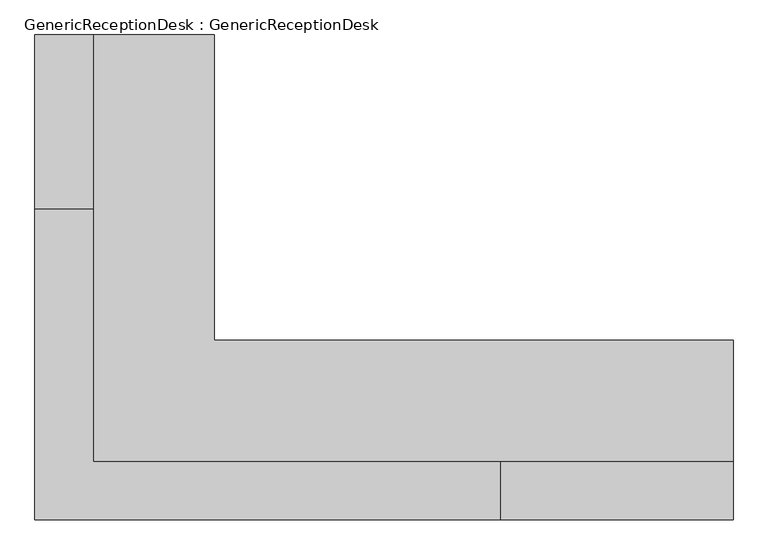
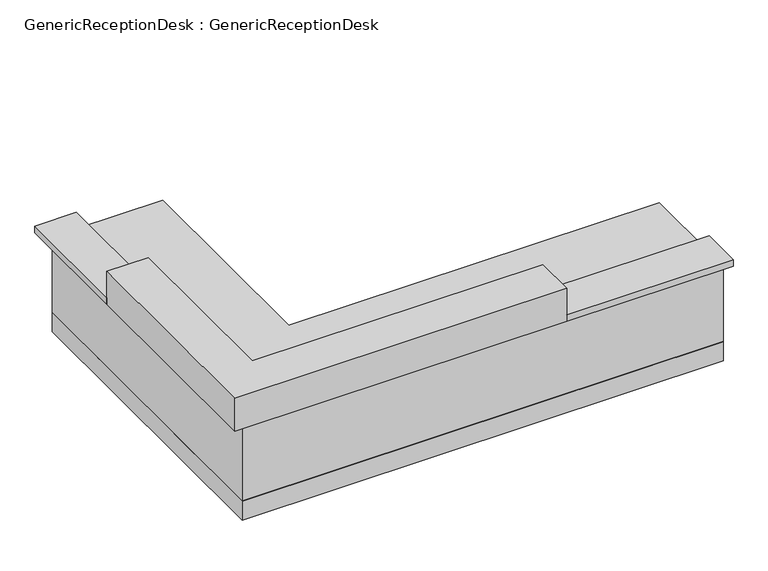
"""IFC4 building model written with IfcOpenShell, lengths in millimetres: furniture geometry, GenericReceptionDesk : GenericReceptionDesk."""

import ifcopenshell
import ifcopenshell.guid

model = None  # the IFC model being written
_history = None  # IfcOwnerHistory: only IFC2X3 demands one
_inside = {}  # id of a spatial element -> (the spatial element, [elements in it])
_under = {}  # id of a project, library or spatial element -> (it, [spatial elements below it])
_declared = {}  # id of a project -> (the project, [libraries it declares])
_typed = {}  # id of a type object -> (the type object, [elements of that type])
_made_of = {}  # id of a material, layer set ... -> (it, [elements and type objects made of it])


def new_model(schema):
    """Start an empty IFC model of exactly this schema.

    Asked for "IFC4X3", IfcOpenShell would pick the latest addendum, in which some entities
    have other attributes; the version numbers below select the first issue.
    IFC2X3 requires an IfcOwnerHistory on every rooted entity: one is made here for all.
    """
    global model, _history
    if schema == "IFC4X3":
        model = ifcopenshell.file(schema_version=(4, 3, 0, 0))
    else:
        model = ifcopenshell.file(schema=schema)
    _inside.clear()
    _under.clear()
    _declared.clear()
    _typed.clear()
    _made_of.clear()
    _history = None
    if model.schema == "IFC2X3":
        org = make("IfcOrganization", Name="unknown")
        user = make(
            "IfcPersonAndOrganization",
            ThePerson=make("IfcPerson", FamilyName="unknown"),
            TheOrganization=org,
        )
        app = make(
            "IfcApplication",
            ApplicationDeveloper=org,
            Version="unknown",
            ApplicationFullName="unknown",
            ApplicationIdentifier="unknown",
        )
        _history = make(
            "IfcOwnerHistory",
            OwningUser=user,
            OwningApplication=app,
            ChangeAction="ADDED",
            CreationDate=0,
        )
    return model


def make(cls, **values):
    """One entity of the class cls with the attributes given. An attribute that is None is left unset."""
    return model.create_entity(
        cls, **{name: value for name, value in values.items() if value is not None}
    )


def rooted(cls, **values):
    """An entity with a GlobalId (a new one), such as an element, a storey or a relation."""
    return make(cls, GlobalId=ifcopenshell.guid.new(), OwnerHistory=_history, **values)


def si_unit(unit_type, name, prefix=None):
    """IfcSIUnit, for example si_unit("LENGTHUNIT", "METRE", prefix="MILLI")."""
    return make("IfcSIUnit", UnitType=unit_type, Prefix=prefix, Name=name)


def assignment(units):
    """IfcUnitAssignment: the units of a project."""
    return None if units is None else make("IfcUnitAssignment", Units=units)


def point(xyz):
    """IfcCartesianPoint."""
    return None if xyz is None else make("IfcCartesianPoint", Coordinates=xyz)


def direction(xyz):
    """IfcDirection."""
    return None if xyz is None else make("IfcDirection", DirectionRatios=xyz)


def frame(location, z_axis=None, x_axis=None):
    """IfcAxis2Placement3D, a coordinate frame: its origin and axes. An axis left out is left unset."""
    return make(
        "IfcAxis2Placement3D",
        Location=point(location),
        Axis=direction(z_axis),
        RefDirection=direction(x_axis),
    )


def origin():
    """The frame at (0, 0, 0) with its axes left unset."""
    return frame((0.0, 0.0, 0.0))


def origin_with_axes():
    """The frame at (0, 0, 0) with the z axis (0, 0, 1) and the x axis (1, 0, 0) written out."""
    return frame((0.0, 0.0, 0.0), z_axis=(0.0, 0.0, 1.0), x_axis=(1.0, 0.0, 0.0))


def place(relative_to, where):
    """IfcLocalPlacement: puts the frame where relative to a parent placement (None: the world)."""
    return make(
        "IfcLocalPlacement", PlacementRelTo=relative_to, RelativePlacement=where
    )


def context(
    kind, dimensions, precision=None, world=None, true_north=None, identifier=None
):
    """IfcGeometricRepresentationContext, for example the 3D "Model" context."""
    return make(
        "IfcGeometricRepresentationContext",
        ContextIdentifier=identifier,
        ContextType=kind,
        CoordinateSpaceDimension=dimensions,
        Precision=precision,
        WorldCoordinateSystem=world,
        TrueNorth=true_north,
    )


def project(units=None, contexts=None):
    """IfcProject with its units and contexts."""
    return rooted(
        "IfcProject",
        Name="project",
        RepresentationContexts=contexts,
        UnitsInContext=assignment(units),
    )


def spatial(cls, under=None, at=None, **own):
    """A site, building, storey or space (cls), placed at a placement, below another one or the project."""
    s = rooted(cls, ObjectPlacement=at, **own)
    if under is not None:
        _under.setdefault(under.id(), (under, []))[1].append(s)
    return s


def polyline(points):
    """IfcPolyline through the points."""
    return make("IfcPolyline", Points=[point(p) for p in points])


def outline(outer, holes=None, kind="AREA"):
    """IfcArbitraryClosedProfileDef: a profile drawn as a closed curve; with holes, ...WithVoids."""
    if holes is None:
        return make("IfcArbitraryClosedProfileDef", ProfileType=kind, OuterCurve=outer)
    return make(
        "IfcArbitraryProfileDefWithVoids",
        ProfileType=kind,
        OuterCurve=outer,
        InnerCurves=holes,
    )


def extrude(swept, where, along, depth):
    """IfcExtrudedAreaSolid: the profile swept, set in the frame where, extruded along a direction by depth."""
    return make(
        "IfcExtrudedAreaSolid",
        SweptArea=swept,
        Position=where,
        ExtrudedDirection=direction(along),
        Depth=depth,
    )


def faces_of(points, faces, orient=None, outer=None):
    """IfcFace entities. A face is a list of loops; a loop is a list of indices into points, from 0.

    orient and outer hold one flag for each loop. By default every Orientation is true, the
    first loop of a face is its IfcFaceOuterBound and the others are IfcFaceBound.
    """
    made = []
    for i, loops in enumerate(faces):
        bounds = []
        for j, loop in enumerate(loops):
            is_outer = j == 0 if outer is None else outer[i][j]
            bounds.append(
                make(
                    "IfcFaceOuterBound" if is_outer else "IfcFaceBound",
                    Bound=make("IfcPolyLoop", Polygon=[points[k] for k in loop]),
                    Orientation=True if orient is None else orient[i][j],
                )
            )
        made.append(make("IfcFace", Bounds=bounds))
    return made


def faceted_brep(points, faces, orient=None, outer=None, voids=None):
    """IfcFacetedBrep: a solid bounded by flat faces; with voids (closed shells), ...WithVoids."""
    shared = [point(p) for p in points]
    hull = make("IfcClosedShell", CfsFaces=faces_of(shared, faces, orient, outer))
    if voids is None:
        return make("IfcFacetedBrep", Outer=hull)
    return make(
        "IfcFacetedBrepWithVoids",
        Outer=hull,
        Voids=[
            make(cls, CfsFaces=faces_of(shared, fs, o, b)) for cls, fs, o, b in voids
        ],
    )


def shape(context_of_items, identifier, shape_type, items):
    """IfcShapeRepresentation: the items that make up one representation, for example the "Body"."""
    return make(
        "IfcShapeRepresentation",
        ContextOfItems=context_of_items,
        RepresentationIdentifier=identifier,
        RepresentationType=shape_type,
        Items=items,
    )


def source(mapping_origin, context_of_items, identifier, shape_type, items):
    """IfcRepresentationMap: a shape defined once, which mapped items show again and again."""
    return make(
        "IfcRepresentationMap",
        MappingOrigin=mapping_origin,
        MappedRepresentation=shape(context_of_items, identifier, shape_type, items),
    )


def transform(
    local_origin,
    x_axis=None,
    y_axis=None,
    z_axis=None,
    scale=None,
    scale2=None,
    scale3=None,
    uniform=True,
):
    """IfcCartesianTransformationOperator3D, or its non-uniform kind. x_axis, y_axis, z_axis: its Axis1, 2, 3."""
    if uniform:
        return make(
            "IfcCartesianTransformationOperator3D",
            Axis1=direction(x_axis),
            Axis2=direction(y_axis),
            LocalOrigin=point(local_origin),
            Scale=scale,
            Axis3=direction(z_axis),
        )
    return make(
        "IfcCartesianTransformationOperator3DnonUniform",
        Axis1=direction(x_axis),
        Axis2=direction(y_axis),
        LocalOrigin=point(local_origin),
        Scale=scale,
        Axis3=direction(z_axis),
        Scale2=scale2,
        Scale3=scale3,
    )


def mapped(mapping_source, mapping_target):
    """IfcMappedItem: shows the shape of a source again, moved by a transform."""
    return make(
        "IfcMappedItem", MappingSource=mapping_source, MappingTarget=mapping_target
    )


def made_of(thing, what):
    """Note that an element or type object is made of a material, layer set ...; save() writes the relation."""
    if what is not None:
        _made_of.setdefault(what.id(), (what, []))[1].append(thing)
    return thing


def element(
    cls,
    number,
    at=None,
    inside=None,
    cuts=None,
    type_object=None,
    material=None,
    context=None,
    identifier="Body",
    shape_type=None,
    held_by="IfcProductDefinitionShape",
    body=None,
    shapes=None,
    **own,
):
    """One element of the class cls, such as IfcWall. Its Tag is "e" and its number.

    at: its placement. inside: the storey or other place that contains it. cuts: it is an
    opening in that element (IfcRelVoidsElement). A single representation is given by context,
    identifier, shape_type and body (its items); several are given by shapes. held_by: the class
    of the entity that holds the representations. save() writes the other relations.
    """
    e = rooted(cls, Tag="e%d" % number, ObjectPlacement=at, **own)
    if body is not None:
        shapes = [shape(context, identifier, shape_type, body)]
    if shapes is not None:
        e.Representation = make(held_by, Representations=shapes)
    if inside is not None:
        _inside.setdefault(inside.id(), (inside, []))[1].append(e)
    if cuts is not None:
        rooted(
            "IfcRelVoidsElement", RelatingBuildingElement=cuts, RelatedOpeningElement=e
        )
    if type_object is not None:
        _typed.setdefault(type_object.id(), (type_object, []))[1].append(e)
    return made_of(e, material)


def aggregate(whole, parts):
    """IfcRelAggregates: a whole, such as a stair, and the parts it consists of."""
    return rooted("IfcRelAggregates", RelatingObject=whole, RelatedObjects=parts)


def save(model, path):
    """Write the relations noted so far, then the file.

    IfcRelAggregates (storeys below a building ...), IfcRelContainedInSpatialStructure (elements
    in a storey), IfcRelDefinesByType, IfcRelAssociatesMaterial and IfcRelDeclares: one each for
    every whole, place, type object, material and project.
    """
    for whole, parts in _under.values():
        aggregate(whole, parts)
    for where, things in _inside.values():
        rooted(
            "IfcRelContainedInSpatialStructure",
            RelatedElements=things,
            RelatingStructure=where,
        )
    for kind, things in _typed.values():
        rooted("IfcRelDefinesByType", RelatedObjects=things, RelatingType=kind)
    for what, things in _made_of.values():
        rooted("IfcRelAssociatesMaterial", RelatedObjects=things, RelatingMaterial=what)
    for by, libraries in _declared.values():
        rooted("IfcRelDeclares", RelatingContext=by, RelatedDefinitions=libraries)
    model.write(path)


def genericreceptiondesk_genericreceptiondesk_99589e26(model_context):
    return source(origin(), model_context, "Body", "SolidModel", [
        extrude(outline(polyline([(-762.0, 684.2125), (-762.0, 230.1875), (-774.7, 230.1875), (-774.7, 684.2125), (-762.0, 684.2125)])), frame((0.0, 0.0, 76.2), z_axis=(0.0, 0.0, 1.0), x_axis=(1.0, 0.0, 0.0)), (0.0, 0.0, 1.0), 309.5625),
        extrude(outline(polyline([(-774.7, 241.3), (-1422.4, 241.3), (-1422.4, 673.1), (-774.7, 673.1), (-774.7, 241.3)])), frame((0.0, 0.0, 76.2), z_axis=(0.0, 0.0, 1.0), x_axis=(1.0, 0.0, 0.0)), (0.0, 0.0, 1.0), 12.7),
        faceted_brep([(-865.1875, 228.6, 0.0), (-1447.8, 228.6, 0.0), (-1447.8, 685.8, 0.0), (-865.1875, 685.8, 0.0), (-1428.75, 673.1, 0.0), (-1428.75, 241.3, 0.0), (-1422.4, 241.3, 0.0), (-1422.4, 673.1, 0.0), (-1384.3, 673.1, 0.0), (-1384.3, 241.3, 0.0), (-903.2875, 241.3, 0.0), (-903.2875, 673.1, 0.0), (-1428.75, 673.1, 127.0), (-1428.75, 241.3, 127.0), (-1447.8, 673.1, 127.0), (-1447.8, 241.3, 127.0), (-1447.8, 228.6, 698.5), (-1447.8, 685.8, 698.5), (-1447.8, 673.1, 596.9), (-1447.8, 241.3, 596.9), (-774.7, 228.6, 698.5), (-774.7, 685.8, 698.5), (-1428.75, 241.3, 698.5), (-1428.75, 673.1, 698.5), (-1422.4, 673.1, 698.5), (-1422.4, 241.3, 698.5), (-800.0679767, 673.1, 698.5), (-800.0679767, 241.3, 698.5), (-1346.2, 241.3, 698.5), (-1346.2, 673.1, 698.5), (-1428.75, 673.1, 596.9), (-1428.75, 241.3, 596.9), (-1346.2, 241.3, 679.45), (-1346.2, 673.1, 679.45), (-1422.4, 673.1, 679.45), (-1422.4, 241.3, 679.45), (-1384.3, 673.1, 76.2), (-1384.3, 241.3, 76.2), (-1422.4, 673.1, 76.2), (-1422.4, 241.3, 76.2), (-865.1875, 673.1, 76.2), (-865.1875, 241.3, 76.2), (-865.1875, 228.6, 76.2), (-865.1875, 685.8, 76.2), (-903.2875, 673.1, 76.2), (-903.2875, 241.3, 76.2), (-800.0679767, 673.1, 679.45), (-800.0679767, 241.3, 679.45), (-774.7, 673.1, 679.45), (-774.7, 241.3, 679.45), (-774.7, 673.1, 76.2), (-774.7, 685.8, 76.2), (-774.7, 228.6, 76.2), (-774.7, 241.3, 76.2)], [[[0, 1, 2, 3], [4, 5, 6, 7], [8, 9, 10, 11]], [[5, 4, 12, 13]], [[13, 12, 14, 15]], [[2, 1, 16, 17], [15, 14, 18, 19]], [[17, 16, 20, 21], [22, 23, 24, 25], [26, 27, 28, 29]], [[19, 18, 30, 31]], [[23, 22, 31, 30]], [[32, 33, 29, 28]], [[25, 24, 34, 35]], [[33, 32, 35, 34]], [[9, 8, 36, 37]], [[37, 36, 38, 39]], [[7, 6, 39, 38]], [[40, 41, 42, 0, 3, 43]], [[41, 40, 44, 45]], [[11, 10, 45, 44]], [[27, 26, 46, 47]], [[47, 46, 48, 49]], [[49, 48, 50, 51, 21, 20, 52, 53]], [[17, 21, 51, 43, 3, 2]], [[40, 50, 48, 46, 26, 29, 33, 34, 24, 23, 30, 18, 14, 12, 4, 7, 38, 36, 8, 11, 44]], [[43, 51, 50, 40]], [[16, 1, 0, 42, 52, 20]], [[53, 41, 45, 10, 9, 37, 39, 6, 5, 13, 15, 19, 31, 22, 25, 35, 32, 28, 27, 47, 49]], [[52, 42, 41, 53]]]),
        extrude(outline(polyline([(-762.0, 684.2125), (-762.0, 230.1875), (-774.7, 230.1875), (-774.7, 684.2125), (-762.0, 684.2125)])), frame((0.0, 0.0, 388.9375), z_axis=(0.0, 0.0, 1.0), x_axis=(1.0, 0.0, 0.0)), (0.0, 0.0, 1.0), 306.3875),
        extrude(outline(polyline([(-1422.4, 241.3), (-1428.75, 241.3), (-1428.75, 673.1), (-1422.4, 673.1), (-1422.4, 241.3)])), origin_with_axes(), (0.0, 0.0, 1.0), 698.5),
        extrude(outline(polyline([(-863.6, 228.6), (-865.1875, 228.6), (-865.1875, 685.8), (-863.6, 685.8), (-863.6, 228.6)])), origin_with_axes(), (0.0, 0.0, 1.0), 76.2),
        extrude(outline(polyline([(1195.3875, -889.0), (1928.8125, -889.0), (1928.8125, -901.7), (1195.3875, -901.7), (1195.3875, -889.0)])), frame((0.0, 0.0, 76.2), z_axis=(0.0, 0.0, 1.0), x_axis=(1.0, 0.0, 0.0)), (0.0, 0.0, 1.0), 309.5625),
        extrude(outline(polyline([(1917.7, -901.7), (1917.7, -1549.4), (1206.5, -1549.4), (1206.5, -901.7), (1917.7, -901.7)])), frame((0.0, 0.0, 76.2), z_axis=(0.0, 0.0, 1.0), x_axis=(1.0, 0.0, 0.0)), (0.0, 0.0, 1.0), 12.7),
        faceted_brep([(1930.4, -992.1875, 0.0), (1930.4, -1574.8, 0.0), (1193.8, -1574.8, 0.0), (1193.8, -992.1875, 0.0), (1206.5, -1555.75, 0.0), (1917.7, -1555.75, 0.0), (1917.7, -1549.4, 0.0), (1206.5, -1549.4, 0.0), (1206.5, -1511.3, 0.0), (1917.7, -1511.3, 0.0), (1917.7, -1030.2875, 0.0), (1206.5, -1030.2875, 0.0), (1206.5, -1555.75, 127.0), (1917.7, -1555.75, 127.0), (1206.5, -1574.8, 127.0), (1917.7, -1574.8, 127.0), (1930.4, -1574.8, 698.5), (1193.8, -1574.8, 698.5), (1206.5, -1574.8, 596.9), (1917.7, -1574.8, 596.9), (1930.4, -901.7, 698.5), (1193.8, -901.7, 698.5), (1917.7, -1555.75, 698.5), (1206.5, -1555.75, 698.5), (1206.5, -1549.4, 698.5), (1917.7, -1549.4, 698.5), (1206.5, -927.0679767, 698.5), (1917.7, -927.0679767, 698.5), (1917.7, -1473.2, 698.5), (1206.5, -1473.2, 698.5), (1206.5, -1555.75, 596.9), (1917.7, -1555.75, 596.9), (1917.7, -1473.2, 679.45), (1206.5, -1473.2, 679.45), (1206.5, -1549.4, 679.45), (1917.7, -1549.4, 679.45), (1206.5, -1511.3, 76.2), (1917.7, -1511.3, 76.2), (1206.5, -1549.4, 76.2), (1917.7, -1549.4, 76.2), (1206.5, -992.1875, 76.2), (1917.7, -992.1875, 76.2), (1930.4, -992.1875, 76.2), (1193.8, -992.1875, 76.2), (1206.5, -1030.2875, 76.2), (1917.7, -1030.2875, 76.2), (1206.5, -927.0679767, 679.45), (1917.7, -927.0679767, 679.45), (1206.5, -901.7, 679.45), (1917.7, -901.7, 679.45), (1206.5, -901.7, 76.2), (1193.8, -901.7, 76.2), (1930.4, -901.7, 76.2), (1917.7, -901.7, 76.2)], [[[0, 1, 2, 3], [4, 5, 6, 7], [8, 9, 10, 11]], [[5, 4, 12, 13]], [[13, 12, 14, 15]], [[2, 1, 16, 17], [15, 14, 18, 19]], [[17, 16, 20, 21], [22, 23, 24, 25], [26, 27, 28, 29]], [[19, 18, 30, 31]], [[23, 22, 31, 30]], [[32, 33, 29, 28]], [[25, 24, 34, 35]], [[33, 32, 35, 34]], [[9, 8, 36, 37]], [[37, 36, 38, 39]], [[7, 6, 39, 38]], [[40, 41, 42, 0, 3, 43]], [[41, 40, 44, 45]], [[11, 10, 45, 44]], [[27, 26, 46, 47]], [[47, 46, 48, 49]], [[49, 48, 50, 51, 21, 20, 52, 53]], [[17, 21, 51, 43, 3, 2]], [[40, 50, 48, 46, 26, 29, 33, 34, 24, 23, 30, 18, 14, 12, 4, 7, 38, 36, 8, 11, 44]], [[43, 51, 50, 40]], [[16, 1, 0, 42, 52, 20]], [[53, 41, 45, 10, 9, 37, 39, 6, 5, 13, 15, 19, 31, 22, 25, 35, 32, 28, 27, 47, 49]], [[52, 42, 41, 53]]]),
        extrude(outline(polyline([(1195.3875, -889.0), (1928.8125, -889.0), (1928.8125, -901.7), (1195.3875, -901.7), (1195.3875, -889.0)])), frame((0.0, 0.0, 388.9375), z_axis=(0.0, 0.0, 1.0), x_axis=(1.0, 0.0, 0.0)), (0.0, 0.0, 1.0), 306.3875),
        extrude(outline(polyline([(1917.7, -1549.4), (1917.7, -1555.75), (1206.5, -1555.75), (1206.5, -1549.4), (1917.7, -1549.4)])), origin_with_axes(), (0.0, 0.0, 1.0), 698.5),
        extrude(outline(polyline([(1930.4, -990.6), (1930.4, -992.1875), (1193.8, -992.1875), (1193.8, -990.6), (1930.4, -990.6)])), origin_with_axes(), (0.0, 0.0, 1.0), 76.2),
        extrude(outline(polyline([(738.1875, -889.0), (1192.2125, -889.0), (1192.2125, -901.7), (738.1875, -901.7), (738.1875, -889.0)])), frame((0.0, 0.0, 76.2), z_axis=(0.0, 0.0, 1.0), x_axis=(1.0, 0.0, 0.0)), (0.0, 0.0, 1.0), 309.5625),
        extrude(outline(polyline([(1181.1, -901.7), (1181.1, -1549.4), (749.3, -1549.4), (749.3, -901.7), (1181.1, -901.7)])), frame((0.0, 0.0, 76.2), z_axis=(0.0, 0.0, 1.0), x_axis=(1.0, 0.0, 0.0)), (0.0, 0.0, 1.0), 12.7),
        faceted_brep([(1193.8, -992.1875, 0.0), (1193.8, -1574.8, 0.0), (736.6, -1574.8, 0.0), (736.6, -992.1875, 0.0), (749.3, -1555.75, 0.0), (1181.1, -1555.75, 0.0), (1181.1, -1549.4, 0.0), (749.3, -1549.4, 0.0), (749.3, -1511.3, 0.0), (1181.1, -1511.3, 0.0), (1181.1, -1030.2875, 0.0), (749.3, -1030.2875, 0.0), (749.3, -1555.75, 127.0), (1181.1, -1555.75, 127.0), (749.3, -1574.8, 127.0), (1181.1, -1574.8, 127.0), (1193.8, -1574.8, 698.5), (736.6, -1574.8, 698.5), (749.3, -1574.8, 596.9), (1181.1, -1574.8, 596.9), (1193.8, -901.7, 698.5), (736.6, -901.7, 698.5), (1181.1, -1555.75, 698.5), (749.3, -1555.75, 698.5), (749.3, -1549.4, 698.5), (1181.1, -1549.4, 698.5), (749.3, -927.0679767, 698.5), (1181.1, -927.0679767, 698.5), (1181.1, -1473.2, 698.5), (749.3, -1473.2, 698.5), (749.3, -1555.75, 596.9), (1181.1, -1555.75, 596.9), (1181.1, -1473.2, 679.45), (749.3, -1473.2, 679.45), (749.3, -1549.4, 679.45), (1181.1, -1549.4, 679.45), (749.3, -1511.3, 76.2), (1181.1, -1511.3, 76.2), (749.3, -1549.4, 76.2), (1181.1, -1549.4, 76.2), (749.3, -992.1875, 76.2), (1181.1, -992.1875, 76.2), (1193.8, -992.1875, 76.2), (736.6, -992.1875, 76.2), (749.3, -1030.2875, 76.2), (1181.1, -1030.2875, 76.2), (749.3, -927.0679767, 679.45), (1181.1, -927.0679767, 679.45), (749.3, -901.7, 679.45), (1181.1, -901.7, 679.45), (749.3, -901.7, 76.2), (736.6, -901.7, 76.2), (1193.8, -901.7, 76.2), (1181.1, -901.7, 76.2)], [[[0, 1, 2, 3], [4, 5, 6, 7], [8, 9, 10, 11]], [[5, 4, 12, 13]], [[13, 12, 14, 15]], [[2, 1, 16, 17], [15, 14, 18, 19]], [[17, 16, 20, 21], [22, 23, 24, 25], [26, 27, 28, 29]], [[19, 18, 30, 31]], [[23, 22, 31, 30]], [[32, 33, 29, 28]], [[25, 24, 34, 35]], [[33, 32, 35, 34]], [[9, 8, 36, 37]], [[37, 36, 38, 39]], [[7, 6, 39, 38]], [[40, 41, 42, 0, 3, 43]], [[41, 40, 44, 45]], [[11, 10, 45, 44]], [[27, 26, 46, 47]], [[47, 46, 48, 49]], [[49, 48, 50, 51, 21, 20, 52, 53]], [[17, 21, 51, 43, 3, 2]], [[40, 50, 48, 46, 26, 29, 33, 34, 24, 23, 30, 18, 14, 12, 4, 7, 38, 36, 8, 11, 44]], [[43, 51, 50, 40]], [[16, 1, 0, 42, 52, 20]], [[53, 41, 45, 10, 9, 37, 39, 6, 5, 13, 15, 19, 31, 22, 25, 35, 32, 28, 27, 47, 49]], [[52, 42, 41, 53]]]),
        extrude(outline(polyline([(738.1875, -889.0), (1192.2125, -889.0), (1192.2125, -901.7), (738.1875, -901.7), (738.1875, -889.0)])), frame((0.0, 0.0, 388.9375), z_axis=(0.0, 0.0, 1.0), x_axis=(1.0, 0.0, 0.0)), (0.0, 0.0, 1.0), 306.3875),
        extrude(outline(polyline([(1181.1, -1549.4), (1181.1, -1555.75), (749.3, -1555.75), (749.3, -1549.4), (1181.1, -1549.4)])), origin_with_axes(), (0.0, 0.0, 1.0), 698.5),
        extrude(outline(polyline([(1193.8, -990.6), (1193.8, -992.1875), (736.6, -992.1875), (736.6, -990.6), (1193.8, -990.6)])), origin_with_axes(), (0.0, 0.0, 1.0), 76.2),
        faceted_brep([(1955.8, -1574.8, 701.675), (1955.8, -1574.8, 660.4), (1955.8, -1571.625, 660.4), (1955.8, -1571.625, 698.5), (1955.8, -1536.7, 698.5), (1955.8, -1536.7, 749.3), (1955.8, -1539.875, 749.3), (1955.8, -1539.875, 701.675), (-1447.8, -1574.8, 701.675), (-1447.8, -1574.8, 660.4), (-1447.8, 711.2, 660.4), (-1444.625, 711.2, 660.4), (-1444.625, -1571.625, 660.4), (-1444.625, -1571.625, 698.5), (-1444.625, 711.2, 698.5), (-1409.7, 711.2, 698.5), (-1409.7, -1536.7, 698.5), (-1409.7, -1536.7, 749.3), (-1409.7, 711.2, 749.3), (-1412.875, 711.2, 749.3), (-1412.875, -1539.875, 749.3), (-1412.875, -1539.875, 701.675), (-1412.875, 711.2, 701.675), (-1447.8, 711.2, 701.675)], [[[0, 1, 2, 3, 4, 5, 6, 7]], [[1, 0, 8, 9]], [[2, 1, 9, 10, 11, 12]], [[3, 2, 12, 13]], [[4, 3, 13, 14, 15, 16]], [[5, 4, 16, 17]], [[6, 5, 17, 18, 19, 20]], [[7, 6, 20, 21]], [[0, 7, 21, 22, 23, 8]], [[23, 22, 19, 18, 15, 14, 11, 10]], [[9, 8, 23, 10]], [[13, 12, 11, 14]], [[17, 16, 15, 18]], [[21, 20, 19, 22]]]),
        faceted_brep([(-1447.8, 711.2, 812.8), (-1574.8, 711.2, 812.8), (-1574.8, -1701.8, 812.8), (1955.8, -1701.8, 812.8), (1955.8, -1574.8, 812.8), (-1447.8, -1574.8, 812.8), (1955.8, -1701.8, 0.0), (-1574.8, -1701.8, 0.0), (-1574.8, 711.2, 0.0), (-762.0, 711.2, 0.0), (-762.0, 685.8, 0.0), (-1447.8, 685.8, 0.0), (-1447.8, -1574.8, 0.0), (1930.4, -1574.8, 0.0), (1930.4, -889.0, 0.0), (1955.8, -889.0, 0.0), (-1447.8, 711.2, 698.5), (-762.0, 711.2, 698.5), (-1574.8, 711.2, 149.225), (-1571.625, 711.2, 149.225), (-1571.625, 711.2, 152.4), (-1574.8, 711.2, 152.4), (-1574.8, -1701.8, 152.4), (-1574.8, -1701.8, 149.225), (1955.8, -1701.8, 152.4), (1955.8, -1701.8, 149.225), (1955.8, -1698.625, 152.4), (1955.8, -1698.625, 149.225), (1955.8, -889.0, 698.5), (1955.8, -1574.8, 698.5), (1930.4, -1574.8, 698.5), (-1447.8, 685.8, 698.5), (-1571.625, -1698.625, 152.4), (-1571.625, -1698.625, 149.225), (-762.0, 685.8, 698.5), (1930.4, -889.0, 698.5)], [[[0, 1, 2, 3, 4, 5]], [[6, 7, 8, 9, 10, 11, 12, 13, 14, 15]], [[1, 0, 16, 17, 9, 8, 18, 19, 20, 21]], [[2, 1, 21, 22]], [[8, 7, 23, 18]], [[3, 2, 22, 24]], [[7, 6, 25, 23]], [[4, 3, 24, 26, 27, 25, 6, 15, 28, 29]], [[5, 4, 29, 30, 13, 12]], [[0, 5, 12, 11, 31, 16]], [[20, 32, 26, 24, 22, 21]], [[27, 33, 19, 18, 23, 25]], [[26, 32, 33, 27]], [[32, 20, 19, 33]], [[31, 34, 17, 16]], [[28, 35, 30, 29]], [[34, 31, 11, 10]], [[17, 34, 10, 9]], [[35, 28, 15, 14]], [[30, 35, 14, 13]]]),
        extrude(outline(polyline([(-762.0, -889.0), (1955.8, -889.0), (1955.8, -1536.7), (-1409.7, -1536.7), (-1409.7, 711.2), (-762.0, 711.2), (-762.0, -889.0)])), frame((0.0, 0.0, 698.5), z_axis=(0.0, 0.0, 1.0), x_axis=(1.0, 0.0, 0.0)), (0.0, 0.0, 1.0), 38.1),
        extrude(outline(polyline([(-1701.8, -1828.8), (-1701.8, -203.2), (-1397.0, -203.2), (-1397.0, -1524.0), (736.6, -1524.0), (736.6, -1828.8), (-1701.8, -1828.8)])), frame((0.0, 0.0, 812.8), z_axis=(0.0, 0.0, 1.0), x_axis=(1.0, 0.0, 0.0)), (0.0, 0.0, 1.0), 254.0),
        extrude(outline(polyline([(1955.8, -1524.0), (1955.8, -1828.8), (736.6, -1828.8), (736.6, -1524.0), (1955.8, -1524.0)])), frame((0.0, 0.0, 812.8), z_axis=(0.0, 0.0, 1.0), x_axis=(1.0, 0.0, 0.0)), (0.0, 0.0, 1.0), 50.8),
        extrude(outline(polyline([(-1397.0, -203.2), (-1701.8, -203.2), (-1701.8, 711.2), (-1397.0, 711.2), (-1397.0, -203.2)])), frame((0.0, 0.0, 812.8), z_axis=(0.0, 0.0, 1.0), x_axis=(1.0, 0.0, 0.0)), (0.0, 0.0, 1.0), 50.8),
    ])


if __name__ == "__main__":
    model = new_model("IFC4")
    model_context = context("Model", 3, world=origin())
    ifc_project = project(units=[si_unit("LENGTHUNIT", "METRE", prefix="MILLI")], contexts=[model_context])
    site = spatial("IfcSite", under=ifc_project)
    building = spatial("IfcBuilding", under=site)
    placement = place(None, origin())
    genericreceptiondesk_genericreceptiondesk_shape = genericreceptiondesk_genericreceptiondesk_99589e26(model_context)
    element("IfcFurniture", 1, ObjectType="GenericReceptionDesk : GenericReceptionDesk", at=placement, inside=building, context=model_context, shape_type="MappedRepresentation", body=[
        mapped(genericreceptiondesk_genericreceptiondesk_shape, transform((0.0, 0.0, 0.0), x_axis=(1.0, 0.0, 0.0), y_axis=(0.0, 1.0, 0.0), z_axis=(0.0, 0.0, 1.0))),
    ])
    save(model, "model.ifc")
